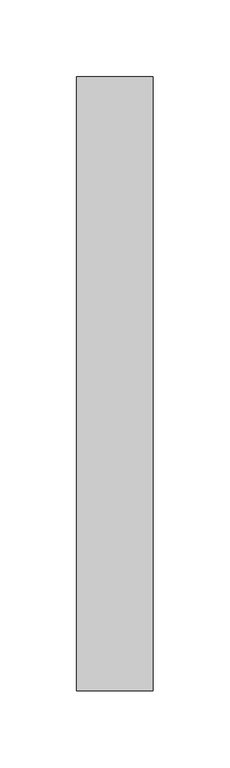
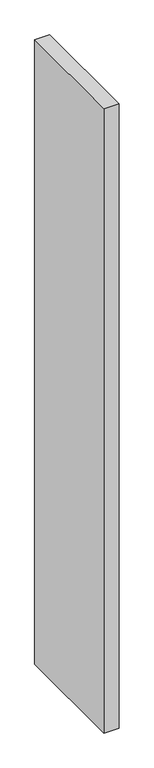
"""IFC4 building model written with IfcOpenShell, lengths in millimetres: proxy geometry."""

from ifc_helpers import new_model, si_unit, origin, origin_with_axes, place, context, project, spatial, polyline, outline, extrude, source, transform, mapped, element, save


def generic_models_1263686b(model_context):
    return source(origin(), model_context, "Body", "SweptSolid", [
        extrude(outline(polyline([(0.0, 400.0), (50.0, 400.0), (50.0, 0.0), (0.0, 0.0), (0.0, 400.0)])), origin_with_axes(), (0.0, 0.0, 1.0), 2200.0),
    ])


if __name__ == "__main__":
    model = new_model("IFC4")
    model_context = context("Model", 3, world=origin())
    ifc_project = project(units=[si_unit("LENGTHUNIT", "METRE", prefix="MILLI")], contexts=[model_context])
    site = spatial("IfcSite", under=ifc_project)
    building = spatial("IfcBuilding", under=site)
    placement = place(None, origin())
    generic_models_shape = generic_models_1263686b(model_context)
    element("IfcBuildingElementProxy", 1, Name="Generic Models", at=placement, inside=building, context=model_context, shape_type="MappedRepresentation", body=[
        mapped(generic_models_shape, transform((0.0, 0.0, 0.0), x_axis=(1.0, 0.0, 0.0), y_axis=(0.0, 1.0, 0.0), z_axis=(0.0, 0.0, 1.0))),
    ])
    save(model, "model.ifc")
